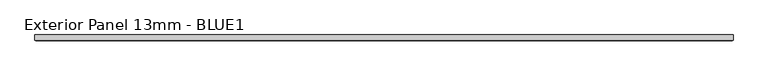
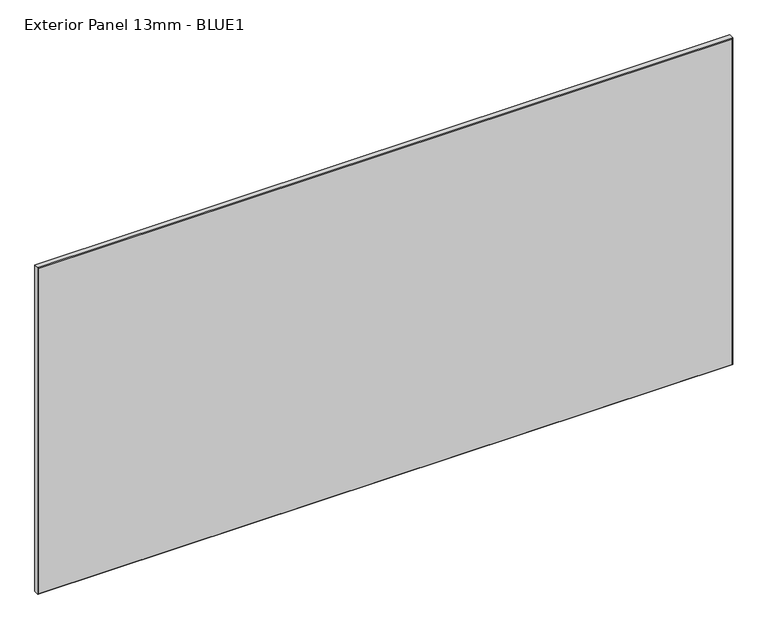
"""IFC4 building model written with IfcOpenShell, lengths in millimetres: proxy geometry, Exterior Panel 13mm - BLUE1."""

from ifc_helpers import new_model, si_unit, origin, place, context, project, spatial, faceted_brep, source, transform, mapped, element, save


def exterior_panel_13mm_blue1_337555ed(model_context):
    return source(origin(), model_context, "Body", "Brep", [
        faceted_brep([(1065.2125, 6.35, 757.2375), (-457.2, 6.35, 757.2375), (-457.2, -4.7625, 757.2375), (1065.2125, -4.7625, 757.2375), (1065.2125, 6.35, 0.0), (1065.2125, -4.7625, 0.0), (-457.2, -4.7625, 0.0), (-457.2, 6.35, 0.0), (-455.6125, -6.35, 755.65), (-455.6125, -6.35, 1.5875), (1063.625, -6.35, 1.5875), (1063.625, -6.35, 755.65)], [[[0, 1, 2, 3]], [[4, 5, 6, 7]], [[1, 0, 4, 7]], [[2, 1, 7, 6]], [[8, 9, 10, 11]], [[0, 3, 5, 4]], [[2, 6, 9, 8]], [[5, 3, 11, 10]], [[3, 2, 8, 11]], [[6, 5, 10, 9]]]),
    ])


if __name__ == "__main__":
    model = new_model("IFC4")
    model_context = context("Model", 3, world=origin())
    ifc_project = project(units=[si_unit("LENGTHUNIT", "METRE", prefix="MILLI")], contexts=[model_context])
    site = spatial("IfcSite", under=ifc_project)
    building = spatial("IfcBuilding", under=site)
    placement = place(None, origin())
    exterior_panel_13mm_blue1_shape = exterior_panel_13mm_blue1_337555ed(model_context)
    element("IfcBuildingElementProxy", 1, Name="Exterior Panel 13mm - BLUE1", ObjectType="Exterior Panel 13mm - BLUE1", at=placement, inside=building, context=model_context, shape_type="MappedRepresentation", body=[
        mapped(exterior_panel_13mm_blue1_shape, transform((0.0, 0.0, 0.0), x_axis=(1.0, 0.0, 0.0), y_axis=(0.0, 1.0, 0.0), z_axis=(0.0, 0.0, 1.0))),
    ])
    save(model, "model.ifc")
